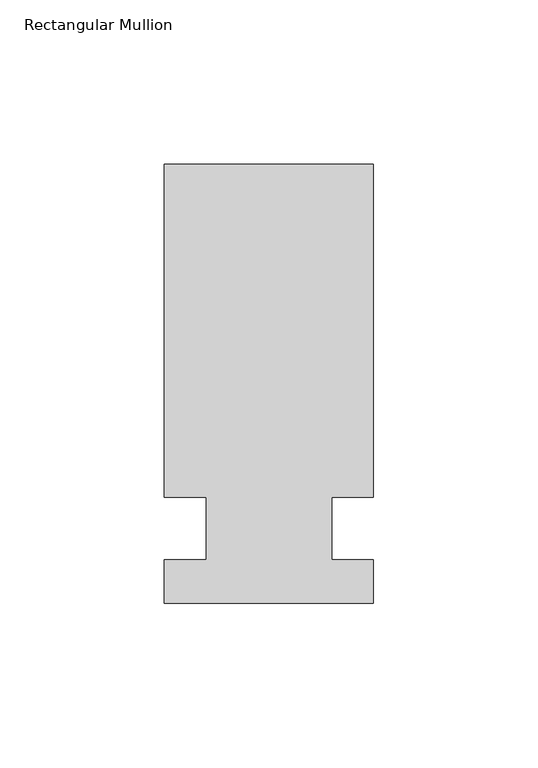
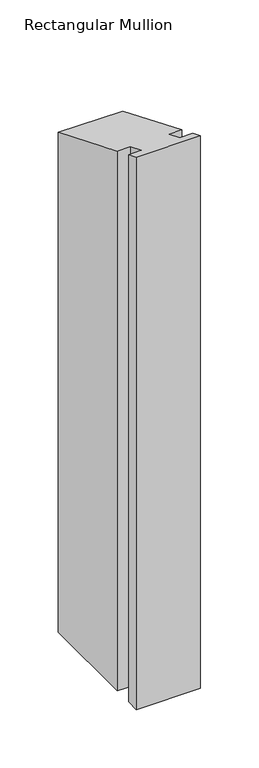
"""IFC4 building model written with IfcOpenShell, lengths in millimetres: member geometry, Rectangular Mullion."""

from ifc_helpers import new_model, si_unit, origin, place, context, project, spatial, faceted_brep, source, transform, mapped, element, save


def rectangular_mullion_c5a56e40(model_context):
    return source(origin(), model_context, "Body", "Brep", [
        faceted_brep([(-63.5, 133.4396937, -577.85), (0.0, 133.4396937, -577.85), (0.0, 32.2460937, -577.85), (-12.7, 32.2460937, -577.85), (-12.7, 13.1960937, -577.85), (0.0, 13.1960937, -577.85), (0.0, 0.0134937, -577.85), (-63.5, 0.0134937, -577.85), (-63.5, 13.1960937, -577.85), (-50.8, 13.1960937, -577.85), (-50.8, 32.2460937, -577.85), (-63.5, 32.2460938, -577.85), (-63.5, 32.2460938, -13.3567694), (-63.5, 133.4396937, -55.2725309), (-50.8, 32.2460937, -13.3567694), (-50.8, 13.1960937, -5.466001), (-63.5, 13.1960937, -5.466001), (-63.5, 0.0134937, -0.0055893), (0.0, 0.0134937, -0.0055893), (0.0, 13.1960937, -5.466001), (-12.7, 13.1960937, -5.466001), (-12.7, 32.2460937, -13.3567694), (0.0, 32.2460937, -13.3567694), (0.0, 133.4396937, -55.2725309)], [[[0, 1, 2, 3, 4, 5, 6, 7, 8, 9, 10, 11]], [[12, 13, 0, 11]], [[14, 12, 11, 10]], [[15, 14, 10, 9]], [[16, 15, 9, 8]], [[17, 16, 8, 7]], [[18, 17, 7, 6]], [[19, 18, 6, 5]], [[20, 19, 5, 4]], [[21, 20, 4, 3]], [[22, 21, 3, 2]], [[23, 22, 2, 1]], [[13, 23, 1, 0]], [[13, 12, 14, 15, 16, 17, 18, 19, 20, 21, 22, 23]]]),
    ])


if __name__ == "__main__":
    model = new_model("IFC4")
    model_context = context("Model", 3, world=origin())
    ifc_project = project(units=[si_unit("LENGTHUNIT", "METRE", prefix="MILLI")], contexts=[model_context])
    site = spatial("IfcSite", under=ifc_project)
    building = spatial("IfcBuilding", under=site)
    placement = place(None, origin())
    rectangular_mullion_shape = rectangular_mullion_c5a56e40(model_context)
    element("IfcMember", 1, ObjectType="Rectangular Mullion", at=placement, inside=building, context=model_context, shape_type="MappedRepresentation", body=[
        mapped(rectangular_mullion_shape, transform((0.0, 0.0, 0.0), x_axis=(1.0, 0.0, 0.0), y_axis=(0.0, 1.0, 0.0), z_axis=(0.0, 0.0, 1.0))),
    ])
    save(model, "model.ifc")
